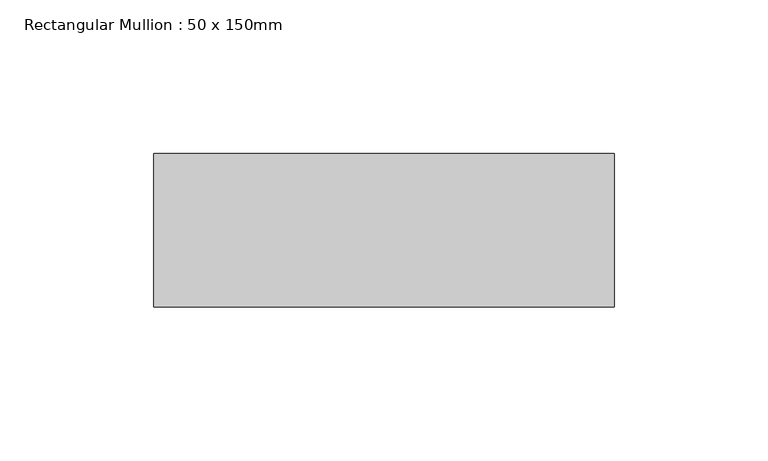
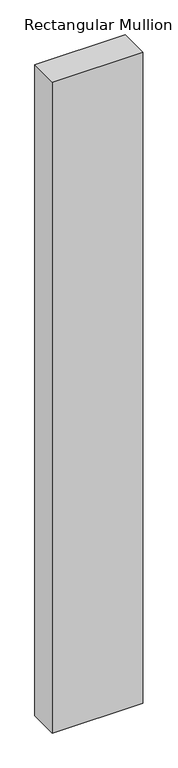
"""IFC4 building model written with IfcOpenShell, lengths in millimetres: member geometry, Rectangular Mullion : 50 x 150mm."""

from ifc_helpers import new_model, si_unit, frame, origin, place, context, project, spatial, polyline, outline, extrude, source, transform, mapped, element, save


def rectangular_mullion_50_x_150mm_79bc31ad(model_context):
    return source(origin(), model_context, "Body", "SweptSolid", [
        extrude(outline(polyline([(150.0, 50.0), (150.0, 0.0), (0.0, 0.0), (0.0, 50.0), (150.0, 50.0)])), frame((0.0, 0.0, -1143.2), z_axis=(0.0, 0.0, 1.0), x_axis=(1.0, 0.0, 0.0)), (0.0, 0.0, 1.0), 1143.2),
    ])


if __name__ == "__main__":
    model = new_model("IFC4")
    model_context = context("Model", 3, world=origin())
    ifc_project = project(units=[si_unit("LENGTHUNIT", "METRE", prefix="MILLI")], contexts=[model_context])
    site = spatial("IfcSite", under=ifc_project)
    building = spatial("IfcBuilding", under=site)
    placement = place(None, origin())
    rectangular_mullion_50_x_150mm_shape = rectangular_mullion_50_x_150mm_79bc31ad(model_context)
    element("IfcMember", 1, ObjectType="Rectangular Mullion : 50 x 150mm", at=placement, inside=building, context=model_context, shape_type="MappedRepresentation", body=[
        mapped(rectangular_mullion_50_x_150mm_shape, transform((0.0, 0.0, 0.0), x_axis=(1.0, 0.0, 0.0), y_axis=(0.0, 1.0, 0.0), z_axis=(0.0, 0.0, 1.0))),
    ])
    save(model, "model.ifc")
